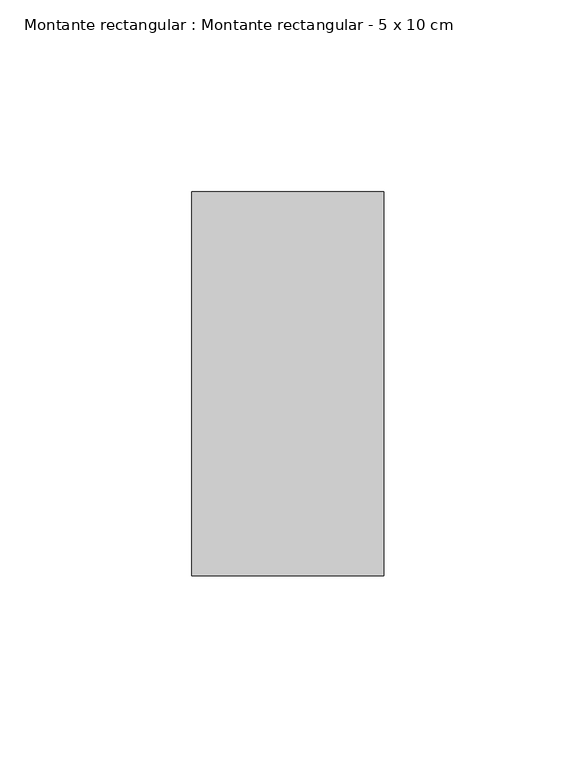
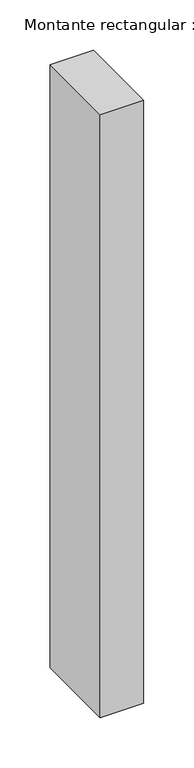
"""IFC4 building model written with IfcOpenShell, lengths in millimetres: member geometry, Montante rectangular : Montante rectangular - 5 x 10 cm."""

from ifc_helpers import new_model, si_unit, frame, origin, place, context, project, spatial, polyline, outline, extrude, source, transform, mapped, element, save


def montante_rectangular_montante_rectangular_5_x_10_cm_eab9417c(model_context):
    return source(origin(), model_context, "Body", "SweptSolid", [
        extrude(outline(polyline([(-50.0, 50.0), (0.0, 50.0), (0.0, -50.0), (-50.0, -50.0), (-50.0, 50.0)])), frame((0.0, 0.0, -733.0), z_axis=(0.0, 0.0, 1.0), x_axis=(1.0, 0.0, 0.0)), (0.0, 0.0, 1.0), 733.0),
    ])


if __name__ == "__main__":
    model = new_model("IFC4")
    model_context = context("Model", 3, world=origin())
    ifc_project = project(units=[si_unit("LENGTHUNIT", "METRE", prefix="MILLI")], contexts=[model_context])
    site = spatial("IfcSite", under=ifc_project)
    building = spatial("IfcBuilding", under=site)
    placement = place(None, origin())
    montante_rectangular_montante_rectangular_5_x_10_cm_shape = montante_rectangular_montante_rectangular_5_x_10_cm_eab9417c(model_context)
    element("IfcMember", 1, ObjectType="Montante rectangular : Montante rectangular - 5 x 10 cm", at=placement, inside=building, context=model_context, shape_type="MappedRepresentation", body=[
        mapped(montante_rectangular_montante_rectangular_5_x_10_cm_shape, transform((0.0, 0.0, 0.0), x_axis=(1.0, 0.0, 0.0), y_axis=(0.0, 1.0, 0.0), z_axis=(0.0, 0.0, 1.0))),
    ])
    save(model, "model.ifc")
